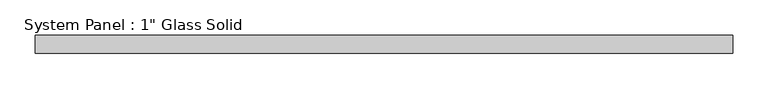
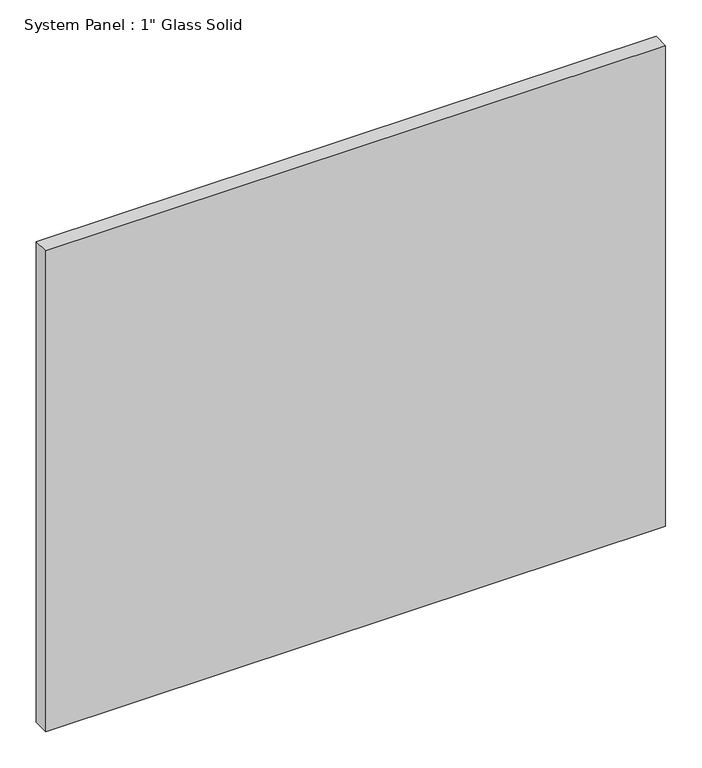
"""IFC4 building model written with IfcOpenShell, lengths in millimetres: plate geometry."""

from ifc_helpers import new_model, si_unit, origin, origin_with_axes, place, context, project, spatial, polyline, outline, extrude, source, transform, mapped, element, save


def plate_1977cd1a(model_context):
    return source(origin(), model_context, "Body", "SweptSolid", [
        extrude(outline(polyline([(492.125, -12.7), (-492.125, -12.7), (-492.125, 12.7), (492.125, 12.7), (492.125, -12.7)])), origin_with_axes(), (0.0, 0.0, 1.0), 806.45),
    ])


if __name__ == "__main__":
    model = new_model("IFC4")
    model_context = context("Model", 3, world=origin())
    ifc_project = project(units=[si_unit("LENGTHUNIT", "METRE", prefix="MILLI")], contexts=[model_context])
    site = spatial("IfcSite", under=ifc_project)
    building = spatial("IfcBuilding", under=site)
    placement = place(None, origin())
    plate_shape = plate_1977cd1a(model_context)
    element("IfcPlate", 1, ObjectType="System Panel : 1\" Glass Solid", at=placement, inside=building, context=model_context, shape_type="MappedRepresentation", body=[
        mapped(plate_shape, transform((0.0, 0.0, 0.0), x_axis=(1.0, 0.0, 0.0), y_axis=(0.0, 1.0, 0.0), z_axis=(0.0, 0.0, 1.0))),
    ])
    save(model, "model.ifc")
